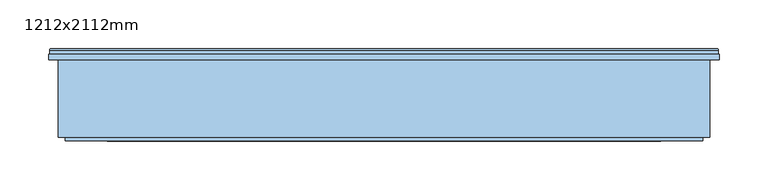
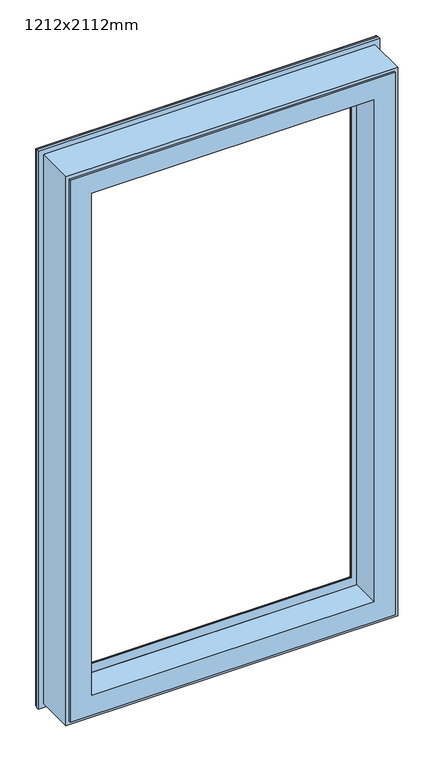
"""IFC4 building model written with IfcOpenShell, lengths in millimetres: window geometry, 1212x2112mm."""

import ifcopenshell
import ifcopenshell.guid

model = None  # the IFC model being written
_history = None  # IfcOwnerHistory: only IFC2X3 demands one
_inside = {}  # id of a spatial element -> (the spatial element, [elements in it])
_under = {}  # id of a project, library or spatial element -> (it, [spatial elements below it])
_declared = {}  # id of a project -> (the project, [libraries it declares])
_typed = {}  # id of a type object -> (the type object, [elements of that type])
_made_of = {}  # id of a material, layer set ... -> (it, [elements and type objects made of it])


def new_model(schema):
    """Start an empty IFC model of exactly this schema.

    Asked for "IFC4X3", IfcOpenShell would pick the latest addendum, in which some entities
    have other attributes; the version numbers below select the first issue.
    IFC2X3 requires an IfcOwnerHistory on every rooted entity: one is made here for all.
    """
    global model, _history
    if schema == "IFC4X3":
        model = ifcopenshell.file(schema_version=(4, 3, 0, 0))
    else:
        model = ifcopenshell.file(schema=schema)
    _inside.clear()
    _under.clear()
    _declared.clear()
    _typed.clear()
    _made_of.clear()
    _history = None
    if model.schema == "IFC2X3":
        org = make("IfcOrganization", Name="unknown")
        user = make(
            "IfcPersonAndOrganization",
            ThePerson=make("IfcPerson", FamilyName="unknown"),
            TheOrganization=org,
        )
        app = make(
            "IfcApplication",
            ApplicationDeveloper=org,
            Version="unknown",
            ApplicationFullName="unknown",
            ApplicationIdentifier="unknown",
        )
        _history = make(
            "IfcOwnerHistory",
            OwningUser=user,
            OwningApplication=app,
            ChangeAction="ADDED",
            CreationDate=0,
        )
    return model


def make(cls, **values):
    """One entity of the class cls with the attributes given. An attribute that is None is left unset."""
    return model.create_entity(
        cls, **{name: value for name, value in values.items() if value is not None}
    )


def rooted(cls, **values):
    """An entity with a GlobalId (a new one), such as an element, a storey or a relation."""
    return make(cls, GlobalId=ifcopenshell.guid.new(), OwnerHistory=_history, **values)


def si_unit(unit_type, name, prefix=None):
    """IfcSIUnit, for example si_unit("LENGTHUNIT", "METRE", prefix="MILLI")."""
    return make("IfcSIUnit", UnitType=unit_type, Prefix=prefix, Name=name)


def assignment(units):
    """IfcUnitAssignment: the units of a project."""
    return None if units is None else make("IfcUnitAssignment", Units=units)


def point(xyz):
    """IfcCartesianPoint."""
    return None if xyz is None else make("IfcCartesianPoint", Coordinates=xyz)


def direction(xyz):
    """IfcDirection."""
    return None if xyz is None else make("IfcDirection", DirectionRatios=xyz)


def frame(location, z_axis=None, x_axis=None):
    """IfcAxis2Placement3D, a coordinate frame: its origin and axes. An axis left out is left unset."""
    return make(
        "IfcAxis2Placement3D",
        Location=point(location),
        Axis=direction(z_axis),
        RefDirection=direction(x_axis),
    )


def origin():
    """The frame at (0, 0, 0) with its axes left unset."""
    return frame((0.0, 0.0, 0.0))


def place(relative_to, where):
    """IfcLocalPlacement: puts the frame where relative to a parent placement (None: the world)."""
    return make(
        "IfcLocalPlacement", PlacementRelTo=relative_to, RelativePlacement=where
    )


def context(
    kind, dimensions, precision=None, world=None, true_north=None, identifier=None
):
    """IfcGeometricRepresentationContext, for example the 3D "Model" context."""
    return make(
        "IfcGeometricRepresentationContext",
        ContextIdentifier=identifier,
        ContextType=kind,
        CoordinateSpaceDimension=dimensions,
        Precision=precision,
        WorldCoordinateSystem=world,
        TrueNorth=true_north,
    )


def project(units=None, contexts=None):
    """IfcProject with its units and contexts."""
    return rooted(
        "IfcProject",
        Name="project",
        RepresentationContexts=contexts,
        UnitsInContext=assignment(units),
    )


def spatial(cls, under=None, at=None, **own):
    """A site, building, storey or space (cls), placed at a placement, below another one or the project."""
    s = rooted(cls, ObjectPlacement=at, **own)
    if under is not None:
        _under.setdefault(under.id(), (under, []))[1].append(s)
    return s


def polyline(points):
    """IfcPolyline through the points."""
    return make("IfcPolyline", Points=[point(p) for p in points])


def ellipse_curve(where, semi_axis1, semi_axis2):
    """IfcEllipse in the frame where."""
    return make(
        "IfcEllipse", Position=where, SemiAxis1=semi_axis1, SemiAxis2=semi_axis2
    )


def faces_of(points, faces, orient=None, outer=None):
    """IfcFace entities. A face is a list of loops; a loop is a list of indices into points, from 0.

    orient and outer hold one flag for each loop. By default every Orientation is true, the
    first loop of a face is its IfcFaceOuterBound and the others are IfcFaceBound.
    """
    made = []
    for i, loops in enumerate(faces):
        bounds = []
        for j, loop in enumerate(loops):
            is_outer = j == 0 if outer is None else outer[i][j]
            bounds.append(
                make(
                    "IfcFaceOuterBound" if is_outer else "IfcFaceBound",
                    Bound=make("IfcPolyLoop", Polygon=[points[k] for k in loop]),
                    Orientation=True if orient is None else orient[i][j],
                )
            )
        made.append(make("IfcFace", Bounds=bounds))
    return made


def faceted_brep(points, faces, orient=None, outer=None, voids=None):
    """IfcFacetedBrep: a solid bounded by flat faces; with voids (closed shells), ...WithVoids."""
    shared = [point(p) for p in points]
    hull = make("IfcClosedShell", CfsFaces=faces_of(shared, faces, orient, outer))
    if voids is None:
        return make("IfcFacetedBrep", Outer=hull)
    return make(
        "IfcFacetedBrepWithVoids",
        Outer=hull,
        Voids=[
            make(cls, CfsFaces=faces_of(shared, fs, o, b)) for cls, fs, o, b in voids
        ],
    )


def shape(context_of_items, identifier, shape_type, items):
    """IfcShapeRepresentation: the items that make up one representation, for example the "Body"."""
    return make(
        "IfcShapeRepresentation",
        ContextOfItems=context_of_items,
        RepresentationIdentifier=identifier,
        RepresentationType=shape_type,
        Items=items,
    )


def source(mapping_origin, context_of_items, identifier, shape_type, items):
    """IfcRepresentationMap: a shape defined once, which mapped items show again and again."""
    return make(
        "IfcRepresentationMap",
        MappingOrigin=mapping_origin,
        MappedRepresentation=shape(context_of_items, identifier, shape_type, items),
    )


def transform(
    local_origin,
    x_axis=None,
    y_axis=None,
    z_axis=None,
    scale=None,
    scale2=None,
    scale3=None,
    uniform=True,
):
    """IfcCartesianTransformationOperator3D, or its non-uniform kind. x_axis, y_axis, z_axis: its Axis1, 2, 3."""
    if uniform:
        return make(
            "IfcCartesianTransformationOperator3D",
            Axis1=direction(x_axis),
            Axis2=direction(y_axis),
            LocalOrigin=point(local_origin),
            Scale=scale,
            Axis3=direction(z_axis),
        )
    return make(
        "IfcCartesianTransformationOperator3DnonUniform",
        Axis1=direction(x_axis),
        Axis2=direction(y_axis),
        LocalOrigin=point(local_origin),
        Scale=scale,
        Axis3=direction(z_axis),
        Scale2=scale2,
        Scale3=scale3,
    )


def mapped(mapping_source, mapping_target):
    """IfcMappedItem: shows the shape of a source again, moved by a transform."""
    return make(
        "IfcMappedItem", MappingSource=mapping_source, MappingTarget=mapping_target
    )


def made_of(thing, what):
    """Note that an element or type object is made of a material, layer set ...; save() writes the relation."""
    if what is not None:
        _made_of.setdefault(what.id(), (what, []))[1].append(thing)
    return thing


def element(
    cls,
    number,
    at=None,
    inside=None,
    cuts=None,
    type_object=None,
    material=None,
    context=None,
    identifier="Body",
    shape_type=None,
    held_by="IfcProductDefinitionShape",
    body=None,
    shapes=None,
    **own,
):
    """One element of the class cls, such as IfcWall. Its Tag is "e" and its number.

    at: its placement. inside: the storey or other place that contains it. cuts: it is an
    opening in that element (IfcRelVoidsElement). A single representation is given by context,
    identifier, shape_type and body (its items); several are given by shapes. held_by: the class
    of the entity that holds the representations. save() writes the other relations.
    """
    e = rooted(cls, Tag="e%d" % number, ObjectPlacement=at, **own)
    if body is not None:
        shapes = [shape(context, identifier, shape_type, body)]
    if shapes is not None:
        e.Representation = make(held_by, Representations=shapes)
    if inside is not None:
        _inside.setdefault(inside.id(), (inside, []))[1].append(e)
    if cuts is not None:
        rooted(
            "IfcRelVoidsElement", RelatingBuildingElement=cuts, RelatedOpeningElement=e
        )
    if type_object is not None:
        _typed.setdefault(type_object.id(), (type_object, []))[1].append(e)
    return made_of(e, material)


def aggregate(whole, parts):
    """IfcRelAggregates: a whole, such as a stair, and the parts it consists of."""
    return rooted("IfcRelAggregates", RelatingObject=whole, RelatedObjects=parts)


def save(model, path):
    """Write the relations noted so far, then the file.

    IfcRelAggregates (storeys below a building ...), IfcRelContainedInSpatialStructure (elements
    in a storey), IfcRelDefinesByType, IfcRelAssociatesMaterial and IfcRelDeclares: one each for
    every whole, place, type object, material and project.
    """
    for whole, parts in _under.values():
        aggregate(whole, parts)
    for where, things in _inside.values():
        rooted(
            "IfcRelContainedInSpatialStructure",
            RelatedElements=things,
            RelatingStructure=where,
        )
    for kind, things in _typed.values():
        rooted("IfcRelDefinesByType", RelatedObjects=things, RelatingType=kind)
    for what, things in _made_of.values():
        rooted("IfcRelAssociatesMaterial", RelatedObjects=things, RelatingMaterial=what)
    for by, libraries in _declared.values():
        rooted("IfcRelDeclares", RelatingContext=by, RelatedDefinitions=libraries)
    model.write(path)


def plane_surface(at):
    """IfcPlane: the flat surface through the origin of the frame at, square to its z axis."""
    return make("IfcPlane", Position=at)


def cylinder_surface(at, radius):
    """IfcCylindricalSurface: all points at the distance radius from the z axis of the frame at."""
    return make("IfcCylindricalSurface", Position=at, Radius=radius)


def revolved_surface(curve, axis_point, axis_direction):
    """IfcSurfaceOfRevolution: the curve turned about the line through axis_point along axis_direction."""
    return make(
        "IfcSurfaceOfRevolution",
        SweptCurve=make("IfcArbitraryOpenProfileDef", ProfileType="CURVE", Curve=curve),
        AxisPosition=make("IfcAxis1Placement", Location=point(axis_point), Axis=direction(axis_direction)),
    )


def advanced_brep(points, edges, surfaces, faces):
    """IfcAdvancedBrep: a solid bounded by faces that lie on surfaces and meet in shared edges.

    An edge is (start, end): straight between two places in points (the first is 0);
    or (start, end, curve); or (start, end, curve, False) where it runs against its curve.
    A face is (place in surfaces, loops), or (place, loops, False) where it looks against
    its surface's normal. A loop lists edges by number (the first is 1), with a minus sign
    where the edge is run from its end to its start. The first loop is the outer one.
    """
    corners = [point(p) for p in points]
    vertices = [make("IfcVertexPoint", VertexGeometry=c) for c in corners]
    made = []
    for start, end, *more in edges:
        made.append(
            make(
                "IfcEdgeCurve",
                EdgeStart=vertices[start],
                EdgeEnd=vertices[end],
                EdgeGeometry=more[0] if more else make("IfcPolyline", Points=[corners[start], corners[end]]),
                SameSense=more[1] if len(more) > 1 else True,
            )
        )
    hull = []
    for where, loops, *sense in faces:
        bounds = []
        for j, loop in enumerate(loops):
            ring = [make("IfcOrientedEdge", EdgeElement=made[abs(k) - 1], Orientation=k > 0) for k in loop]
            bounds.append(
                make(
                    "IfcFaceOuterBound" if j == 0 else "IfcFaceBound",
                    Bound=make("IfcEdgeLoop", EdgeList=ring),
                    Orientation=True,
                )
            )
        hull.append(make("IfcAdvancedFace", Bounds=bounds, FaceSurface=surfaces[where], SameSense=sense[0] if sense else True))
    return make("IfcAdvancedBrep", Outer=make("IfcClosedShell", CfsFaces=hull))


def window_1212x2112mm_236a0c48(model_context):
    return source(origin(), model_context, "Body", "SolidModel", [
        advanced_brep(
        [(357.0, 152.5000018, 1999.0), (358.4999999, 154.0000016, 1997.5000001), (358.4999999, 154.0000016, 814.4999999), (357.0, 152.5000018, 813.0), (357.0, 148.3866107, 1999.0), (357.0, 148.3866107, 813.0), (356.0, 142.5000017, 2000.0), (356.0, 148.3866107, 2000.0), (356.0, 148.3866107, 812.0), (356.0, 142.5000017, 812.0), (394.0, 146.5000019, 1962.0), (394.0, 142.5000017, 1962.0), (394.0, 142.5000017, 850.0), (394.0, 146.5000019, 850.0), (412.4807462, 147.4871074, 1943.5192538), (412.5061211, 146.5000019, 1943.4938789), (412.5061211, 146.5000019, 868.5061211), (412.4807462, 147.4871074, 868.4807462), (410.4037517, 148.7951832, 1945.5962483), (410.4037517, 148.7951832, 866.4037517), (410.0, 149.7544748, 1946.0), (410.0, 149.7544748, 866.0), (410.0, 153.0000016, 1946.0), (410.0, 153.0000016, 866.0), (409.5, 153.5000016, 1946.5), (409.5, 153.5000016, 865.5), (393.485926, 154.0000016, 1962.514074), (394.2, 153.5000016, 1961.8), (394.2, 153.5000016, 850.2), (393.485926, 154.0000016, 849.485926), (1041.5000001, 154.0000016, 814.4999999), (1043.0, 152.5000018, 813.0), (1043.0, 148.3866107, 813.0), (1044.0, 148.3866107, 812.0), (1044.0, 142.5000017, 812.0), (1006.0, 142.5000017, 850.0), (1006.0, 146.5000019, 850.0), (987.4938789, 146.5000019, 868.5061211), (987.5192538, 147.4871074, 868.4807462), (989.5962483, 148.7951832, 866.4037517), (990.0, 149.7544748, 866.0), (990.0, 153.0000016, 866.0), (990.5, 153.5000016, 865.5), (1005.8, 153.5000016, 850.2), (1006.514074, 154.0000016, 849.485926), (1041.5000001, 154.0000016, 1997.5000001), (1043.0, 152.5000018, 1999.0), (1043.0, 148.3866107, 1999.0), (1044.0, 148.3866107, 2000.0), (1044.0, 142.5000017, 2000.0), (1006.0, 142.5000017, 1962.0), (1006.0, 146.5000019, 1962.0), (987.4938789, 146.5000019, 1943.4938789), (987.5192538, 147.4871074, 1943.5192538), (989.5962483, 148.7951832, 1945.5962483), (990.0, 149.7544748, 1946.0), (990.0, 153.0000016, 1946.0), (990.5, 153.5000016, 1946.5), (1005.8, 153.5000016, 1961.8), (1006.514074, 154.0000016, 1962.514074)],
        [
            (0, 1, ellipse_curve(frame((358.4999999, 152.5000018, 1997.5000001), z_axis=(-0.7071067811865475, 0.0, -0.7071067811865475), x_axis=(-0.7071067811865474, 0.0, 0.7071067811865476)), 2.1213201, 1.4999998)),
            (1, 2),
            (2, 3, ellipse_curve(frame((358.4999999, 152.5000018, 814.4999999), z_axis=(-0.7071067811865475, 0.0, 0.7071067811865475), x_axis=(0.7071067811865474, 0.0, 0.7071067811865476)), 2.1213201, 1.4999998)),
            (3, 0),
            (4, 0),
            (3, 5),
            (5, 4),
            (6, 7),
            (7, 8),
            (8, 9),
            (9, 6),
            (10, 11),
            (11, 12),
            (12, 13),
            (13, 10),
            (14, 15, ellipse_curve(frame((412.5061211, 146.9938808, 1943.4938789), z_axis=(-0.7071067811865475, 0.0, -0.7071067811865475), x_axis=(-0.7071067811865474, 0.0, 0.7071067811865476)), 0.6984503, 0.4938789)),
            (15, 16),
            (16, 17, ellipse_curve(frame((412.5061211, 146.9938808, 868.5061211), z_axis=(-0.7071067811865475, 0.0, 0.7071067811865475), x_axis=(0.7071067811865474, 0.0, 0.7071067811865476)), 0.6984503, 0.4938789)),
            (17, 14),
            (18, 14, ellipse_curve(frame((412.3772813, 149.6258125, 1943.6227187), z_axis=(0.7071067811865475, 0.0, 0.7071067811865475), x_axis=(0.7071067811865474, 0.0, -0.7071067811865476)), 3.028123, 2.1412063)),
            (17, 19, ellipse_curve(frame((412.3772813, 149.6258125, 868.3772813), z_axis=(0.7071067811865475, 0.0, -0.7071067811865475), x_axis=(-0.7071067811865474, 0.0, -0.7071067811865476)), 3.028123, 2.1412063)),
            (19, 18),
            (20, 18),
            (19, 21),
            (21, 20),
            (22, 20),
            (21, 23),
            (23, 22),
            (24, 22, ellipse_curve(frame((409.5, 153.0000016, 1946.5), z_axis=(-0.7071067811865475, 0.0, -0.7071067811865475), x_axis=(-0.7071067811865474, 0.0, 0.7071067811865476)), 0.7071068, 0.5)),
            (23, 25, ellipse_curve(frame((409.5, 153.0000016, 865.5), z_axis=(-0.7071067811865475, 0.0, 0.7071067811865475), x_axis=(0.7071067811865474, 0.0, 0.7071067811865476)), 0.7071068, 0.5)),
            (25, 24),
            (26, 27),
            (27, 28),
            (28, 29),
            (29, 26),
            (2, 30),
            (30, 31, ellipse_curve(frame((1041.5000001, 152.5000018, 814.4999999), z_axis=(-0.7071067811865475, 0.0, -0.7071067811865475), x_axis=(-0.7071067811865476, 0.0, 0.7071067811865474)), 2.1213201, 1.4999998)),
            (31, 3),
            (31, 32),
            (32, 5),
            (8, 33),
            (33, 34),
            (34, 9),
            (12, 35),
            (35, 36),
            (36, 13),
            (16, 37),
            (37, 38, ellipse_curve(frame((987.4938789, 146.9938808, 868.5061211), z_axis=(-0.7071067811865475, 0.0, -0.7071067811865475), x_axis=(-0.7071067811865476, 0.0, 0.7071067811865474)), 0.6984503, 0.4938789)),
            (38, 17),
            (38, 39, ellipse_curve(frame((987.6227187, 149.6258125, 868.3772813), z_axis=(0.7071067811865475, 0.0, 0.7071067811865475), x_axis=(0.7071067811865476, 0.0, -0.7071067811865474)), 3.028123, 2.1412063)),
            (39, 19),
            (39, 40),
            (40, 21),
            (40, 41),
            (41, 23),
            (41, 42, ellipse_curve(frame((990.5, 153.0000016, 865.5), z_axis=(-0.7071067811865475, 0.0, -0.7071067811865475), x_axis=(-0.7071067811865476, 0.0, 0.7071067811865474)), 0.7071068, 0.5)),
            (42, 25),
            (28, 43),
            (43, 44),
            (44, 29),
            (30, 45),
            (45, 46, ellipse_curve(frame((1041.5000001, 152.5000018, 1997.5000001), z_axis=(0.7071067811865475, 0.0, -0.7071067811865475), x_axis=(-0.7071067811865474, 0.0, -0.7071067811865476)), 2.1213201, 1.4999998)),
            (46, 31),
            (46, 47),
            (47, 32),
            (33, 48),
            (48, 49),
            (49, 34),
            (35, 50),
            (50, 51),
            (51, 36),
            (37, 52),
            (52, 53, ellipse_curve(frame((987.4938789, 146.9938808, 1943.4938789), z_axis=(0.7071067811865475, 0.0, -0.7071067811865475), x_axis=(-0.7071067811865474, 0.0, -0.7071067811865476)), 0.6984503, 0.4938789)),
            (53, 38),
            (53, 54, ellipse_curve(frame((987.6227187, 149.6258125, 1943.6227187), z_axis=(-0.7071067811865475, 0.0, 0.7071067811865475), x_axis=(0.7071067811865474, 0.0, 0.7071067811865476)), 3.028123, 2.1412063)),
            (54, 39),
            (54, 55),
            (55, 40),
            (55, 56),
            (56, 41),
            (56, 57, ellipse_curve(frame((990.5, 153.0000016, 1946.5), z_axis=(0.7071067811865475, 0.0, -0.7071067811865475), x_axis=(-0.7071067811865474, 0.0, -0.7071067811865476)), 0.7071068, 0.5)),
            (57, 42),
            (43, 58),
            (58, 59),
            (59, 44),
            (1, 45),
            (59, 26),
            (0, 46),
            (4, 47),
            (7, 48),
            (6, 49),
            (11, 50),
            (10, 51),
            (15, 52),
            (14, 53),
            (18, 54),
            (20, 55),
            (22, 56),
            (24, 57),
            (27, 58),
        ],
        [
            cylinder_surface(frame((358.4999999, 152.5000018, 2000.0), z_axis=(0.0, 0.0, 1.0), x_axis=(1.0, 0.0, 0.0)), 1.4999998),
            plane_surface(frame((357.0, 152.5000018, 1999.0), z_axis=(-1.0, 0.0, 0.0), x_axis=(0.0, 0.0, -1.0))),
            plane_surface(frame((356.0, 148.3866107, 2000.0), z_axis=(-1.0, 0.0, 0.0), x_axis=(0.0, 0.0, -1.0))),
            plane_surface(frame((394.0, 142.5000017, 1962.0), z_axis=(1.0, 0.0, 0.0), x_axis=(0.0, 0.0, -1.0))),
            cylinder_surface(frame((412.5061211, 146.9938808, 2000.0), z_axis=(0.0, 0.0, 1.0), x_axis=(1.0, 0.0, 0.0)), 0.4938789),
            revolved_surface(polyline([(414.5184876, 149.6258125, 866.236074992433), (414.5184876, 149.6258125, 1945.763925007567)]), (412.3772813, 149.6258125, 2000.0), (0.0, 0.0, -1.0)),
            plane_surface(frame((410.4037517, 148.7951832, 1945.5962483), z_axis=(0.9216905703602581, 0.387925885329894, 0.0), x_axis=(0.0, 0.0, -1.0))),
            plane_surface(frame((410.0, 149.7544748, 1946.0), z_axis=(1.0, 0.0, 0.0), x_axis=(0.0, 0.0, -1.0))),
            cylinder_surface(frame((409.5, 153.0000016, 2000.0), z_axis=(0.0, 0.0, 1.0), x_axis=(1.0, 0.0, 0.0)), 0.5),
            plane_surface(frame((394.2, 153.5000016, 1961.8), z_axis=(0.5735764363509235, 0.8191520442890776, 0.0), x_axis=(0.0, 0.0, -1.0))),
            cylinder_surface(frame((356.0, 152.5000018, 814.4999999), z_axis=(-1.0, 0.0, 0.0), x_axis=(0.0, 0.0, 1.0)), 1.4999998),
            plane_surface(frame((357.0, 152.5000018, 813.0), z_axis=(0.0, 0.0, -1.0), x_axis=(1.0, 0.0, 0.0))),
            plane_surface(frame((356.0, 148.3866107, 812.0), z_axis=(0.0, 0.0, -1.0), x_axis=(1.0, 0.0, 0.0))),
            plane_surface(frame((394.0, 142.5000017, 850.0), z_axis=(0.0, 0.0, 1.0), x_axis=(1.0, 0.0, 0.0))),
            cylinder_surface(frame((356.0, 146.9938808, 868.5061211), z_axis=(-1.0, 0.0, 0.0), x_axis=(0.0, 0.0, 1.0)), 0.4938789),
            revolved_surface(polyline([(989.7639250075669, 149.6258125, 870.5184876000001), (410.23607499243303, 149.6258125, 870.5184876000001)]), (356.0, 149.6258125, 868.3772813), (1.0, 0.0, 0.0)),
            plane_surface(frame((410.4037517, 148.7951832, 866.4037517), z_axis=(0.0, 0.387925885329897, 0.9216905703602569), x_axis=(1.0, 0.0, 0.0))),
            plane_surface(frame((410.0, 149.7544748, 866.0), z_axis=(0.0, 0.0, 1.0), x_axis=(1.0, 0.0, 0.0))),
            cylinder_surface(frame((356.0, 153.0000016, 865.5), z_axis=(-1.0, 0.0, 0.0), x_axis=(0.0, 0.0, 1.0)), 0.5),
            plane_surface(frame((394.2, 153.5000016, 850.2), z_axis=(0.0, 0.8191520442890795, 0.5735764363509208), x_axis=(1.0, 0.0, 0.0))),
            cylinder_surface(frame((1041.5000001, 152.5000018, 812.0), z_axis=(0.0, 0.0, -1.0), x_axis=(-1.0, 0.0, 0.0)), 1.4999998),
            plane_surface(frame((1043.0, 152.5000018, 813.0), z_axis=(1.0, 0.0, 0.0), x_axis=(0.0, 0.0, 1.0))),
            plane_surface(frame((1044.0, 148.3866107, 812.0), z_axis=(1.0, 0.0, 0.0), x_axis=(0.0, 0.0, 1.0))),
            plane_surface(frame((1006.0, 142.5000017, 850.0), z_axis=(-1.0, 0.0, 0.0), x_axis=(0.0, 0.0, 1.0))),
            cylinder_surface(frame((987.4938789, 146.9938808, 812.0), z_axis=(0.0, 0.0, -1.0), x_axis=(-1.0, 0.0, 0.0)), 0.4938789),
            revolved_surface(polyline([(985.4815123999999, 149.6258125, 1945.763925007567), (985.4815123999999, 149.6258125, 866.2360749924331)]), (987.6227187, 149.6258125, 812.0), (0.0, 0.0, 1.0)),
            plane_surface(frame((989.5962483, 148.7951832, 866.4037517), z_axis=(-0.9216905703602557, 0.3879258853299, 0.0), x_axis=(0.0, 0.0, 1.0))),
            plane_surface(frame((990.0, 149.7544748, 866.0), z_axis=(-1.0, 0.0, 0.0), x_axis=(0.0, 0.0, 1.0))),
            cylinder_surface(frame((990.5, 153.0000016, 812.0), z_axis=(0.0, 0.0, -1.0), x_axis=(-1.0, 0.0, 0.0)), 0.5),
            plane_surface(frame((1005.8, 153.5000016, 850.2), z_axis=(-0.5735764363509182, 0.8191520442890814, 0.0), x_axis=(0.0, 0.0, 1.0))),
            plane_surface(frame((1006.514074, 154.0000016, 1962.514074), z_axis=(0.0, 1.0, 0.0), x_axis=(-1.0, 0.0, 0.0))),
            cylinder_surface(frame((1044.0, 152.5000018, 1997.5000001), z_axis=(1.0, 0.0, 0.0), x_axis=(0.0, 0.0, -1.0)), 1.4999998),
            plane_surface(frame((1043.0, 152.5000018, 1999.0), z_axis=(0.0, 0.0, 1.0), x_axis=(-1.0, 0.0, 0.0))),
            plane_surface(frame((1043.0, 148.3866107, 1999.0), z_axis=(0.0, 1.0, 0.0), x_axis=(-1.0, 0.0, 0.0))),
            plane_surface(frame((1044.0, 148.3866107, 2000.0), z_axis=(0.0, 0.0, 1.0), x_axis=(-1.0, 0.0, 0.0))),
            plane_surface(frame((1044.0, 142.5000017, 2000.0), z_axis=(0.0, -1.0, 0.0), x_axis=(-1.0, 0.0, 0.0))),
            plane_surface(frame((1006.0, 142.5000017, 1962.0), z_axis=(0.0, 0.0, -1.0), x_axis=(-1.0, 0.0, 0.0))),
            plane_surface(frame((1006.0, 146.5000019, 1962.0), z_axis=(0.0, -1.0, 0.0), x_axis=(-1.0, 0.0, 0.0))),
            cylinder_surface(frame((1044.0, 146.9938808, 1943.4938789), z_axis=(1.0, 0.0, 0.0), x_axis=(0.0, 0.0, -1.0)), 0.4938789),
            revolved_surface(polyline([(410.23607499243315, 149.6258125, 1941.4815124), (989.7639250075669, 149.6258125, 1941.4815124)]), (1044.0, 149.6258125, 1943.6227187), (-1.0, 0.0, 0.0)),
            plane_surface(frame((989.5962483, 148.7951832, 1945.5962483), z_axis=(0.0, 0.387925885329897, -0.9216905703602569), x_axis=(-1.0, 0.0, 0.0))),
            plane_surface(frame((990.0, 149.7544748, 1946.0), z_axis=(0.0, 0.0, -1.0), x_axis=(-1.0, 0.0, 0.0))),
            cylinder_surface(frame((1044.0, 153.0000016, 1946.5), z_axis=(1.0, 0.0, 0.0), x_axis=(0.0, 0.0, -1.0)), 0.5),
            plane_surface(frame((990.5, 153.5000016, 1946.5), z_axis=(0.0, 1.0, 0.0), x_axis=(-1.0, 0.0, 0.0))),
            plane_surface(frame((1005.8, 153.5000016, 1961.8), z_axis=(0.0, 0.8191520442890795, -0.5735764363509208), x_axis=(-1.0, 0.0, 0.0))),
        ],
        [
            (0, [[1, 2, 3, 4]]),
            (1, [[5, -4, 6, 7]]),
            (2, [[8, 9, 10, 11]]),
            (3, [[12, 13, 14, 15]]),
            (4, [[16, 17, 18, 19]]),
            (5, [[20, -19, 21, 22]]),
            (6, [[23, -22, 24, 25]]),
            (7, [[26, -25, 27, 28]]),
            (8, [[29, -28, 30, 31]]),
            (9, [[32, 33, 34, 35]]),
            (10, [[-3, 36, 37, 38]]),
            (11, [[-6, -38, 39, 40]]),
            (12, [[-10, 41, 42, 43]]),
            (13, [[-14, 44, 45, 46]]),
            (14, [[-18, 47, 48, 49]]),
            (15, [[-21, -49, 50, 51]]),
            (16, [[-24, -51, 52, 53]]),
            (17, [[-27, -53, 54, 55]]),
            (18, [[-30, -55, 56, 57]]),
            (19, [[-34, 58, 59, 60]]),
            (20, [[-37, 61, 62, 63]]),
            (21, [[-39, -63, 64, 65]]),
            (22, [[-42, 66, 67, 68]]),
            (23, [[-45, 69, 70, 71]]),
            (24, [[-48, 72, 73, 74]]),
            (25, [[-50, -74, 75, 76]]),
            (26, [[-52, -76, 77, 78]]),
            (27, [[-54, -78, 79, 80]]),
            (28, [[-56, -80, 81, 82]]),
            (29, [[-59, 83, 84, 85]]),
            (30, [[86, -61, -36, -2], [-60, -85, 87, -35]]),
            (31, [[-62, -86, -1, 88]]),
            (32, [[-64, -88, -5, 89]]),
            (33, [[90, -66, -41, -9], [-40, -65, -89, -7]]),
            (34, [[-67, -90, -8, 91]]),
            (35, [[-43, -68, -91, -11], [92, -69, -44, -13]]),
            (36, [[-70, -92, -12, 93]]),
            (37, [[-46, -71, -93, -15], [94, -72, -47, -17]]),
            (38, [[-73, -94, -16, 95]]),
            (39, [[-75, -95, -20, 96]]),
            (40, [[-77, -96, -23, 97]]),
            (41, [[-79, -97, -26, 98]]),
            (42, [[-81, -98, -29, 99]]),
            (43, [[100, -83, -58, -33], [-57, -82, -99, -31]]),
            (44, [[-84, -100, -32, -87]]),
        ],
    ),
        faceted_brep([(394.0, 142.5000017, 1962.0), (394.0, 118.5000018, 1962.0), (394.0, 118.5000018, 850.0), (394.0, 142.5000017, 850.0), (366.0, 63.3258286, 1990.0), (366.0, 142.5000017, 1990.0), (366.0, 142.5000017, 822.0), (366.0, 63.3258286, 822.0), (372.8, 59.5000018, 1983.2), (372.8, 63.3258286, 1983.2), (372.8, 63.3258286, 828.8), (372.8, 59.5000018, 828.8), (416.0, 118.5000018, 1940.0), (416.0, 59.5000018, 1940.0), (416.0, 59.5000018, 872.0), (416.0, 118.5000018, 872.0), (1006.0, 118.5000018, 850.0), (1006.0, 142.5000017, 850.0), (1034.0, 142.5000017, 822.0), (1034.0, 63.3258286, 822.0), (1027.2, 63.3258286, 828.8), (1027.2, 59.5000018, 828.8), (984.0, 59.5000018, 872.0), (984.0, 118.5000018, 872.0), (1006.0, 118.5000018, 1962.0), (1006.0, 142.5000017, 1962.0), (1034.0, 142.5000017, 1990.0), (1034.0, 63.3258286, 1990.0), (1027.2, 63.3258286, 1983.2), (1027.2, 59.5000018, 1983.2), (984.0, 59.5000018, 1940.0), (984.0, 118.5000018, 1940.0)], [[[0, 1, 2, 3]], [[4, 5, 6, 7]], [[8, 9, 10, 11]], [[12, 13, 14, 15]], [[3, 2, 16, 17]], [[7, 6, 18, 19]], [[11, 10, 20, 21]], [[15, 14, 22, 23]], [[17, 16, 24, 25]], [[19, 18, 26, 27]], [[21, 20, 28, 29]], [[23, 22, 30, 31]], [[25, 24, 1, 0]], [[5, 26, 18, 6], [3, 17, 25, 0]], [[27, 26, 5, 4]], [[7, 19, 27, 4], [9, 28, 20, 10]], [[29, 28, 9, 8]], [[11, 21, 29, 8], [13, 30, 22, 14]], [[31, 30, 13, 12]], [[1, 24, 16, 2], [15, 23, 31, 12]]]),
    ])


if __name__ == "__main__":
    model = new_model("IFC4")
    model_context = context("Model", 3, world=origin())
    ifc_project = project(units=[si_unit("LENGTHUNIT", "METRE", prefix="MILLI")], contexts=[model_context])
    site = spatial("IfcSite", under=ifc_project)
    building = spatial("IfcBuilding", under=site)
    placement = place(None, origin())
    window_1212x2112mm_shape = window_1212x2112mm_236a0c48(model_context)
    element("IfcWindow", 1, ObjectType="1212x2112mm", at=placement, inside=building, context=model_context, shape_type="MappedRepresentation", body=[
        mapped(window_1212x2112mm_shape, transform((0.0, 0.0, 0.0), x_axis=(1.0, 0.0, 0.0), y_axis=(0.0, 1.0, 0.0), z_axis=(0.0, 0.0, 1.0))),
    ])
    save(model, "model.ifc")
